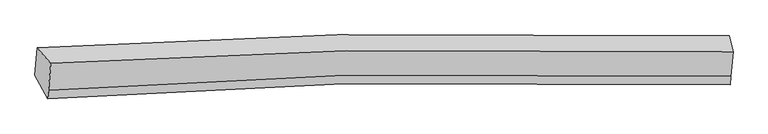
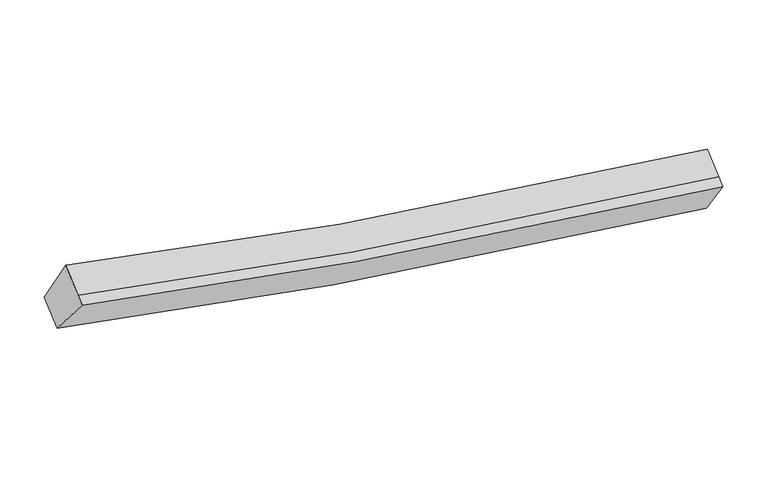
"""IFC4 building model written with IfcOpenShell, lengths in millimetres: proxy geometry."""

import ifcopenshell
import ifcopenshell.guid

model = None  # the IFC model being written
_history = None  # IfcOwnerHistory: only IFC2X3 demands one
_inside = {}  # id of a spatial element -> (the spatial element, [elements in it])
_under = {}  # id of a project, library or spatial element -> (it, [spatial elements below it])
_declared = {}  # id of a project -> (the project, [libraries it declares])
_typed = {}  # id of a type object -> (the type object, [elements of that type])
_made_of = {}  # id of a material, layer set ... -> (it, [elements and type objects made of it])


def new_model(schema):
    """Start an empty IFC model of exactly this schema.

    Asked for "IFC4X3", IfcOpenShell would pick the latest addendum, in which some entities
    have other attributes; the version numbers below select the first issue.
    IFC2X3 requires an IfcOwnerHistory on every rooted entity: one is made here for all.
    """
    global model, _history
    if schema == "IFC4X3":
        model = ifcopenshell.file(schema_version=(4, 3, 0, 0))
    else:
        model = ifcopenshell.file(schema=schema)
    _inside.clear()
    _under.clear()
    _declared.clear()
    _typed.clear()
    _made_of.clear()
    _history = None
    if model.schema == "IFC2X3":
        org = make("IfcOrganization", Name="unknown")
        user = make(
            "IfcPersonAndOrganization",
            ThePerson=make("IfcPerson", FamilyName="unknown"),
            TheOrganization=org,
        )
        app = make(
            "IfcApplication",
            ApplicationDeveloper=org,
            Version="unknown",
            ApplicationFullName="unknown",
            ApplicationIdentifier="unknown",
        )
        _history = make(
            "IfcOwnerHistory",
            OwningUser=user,
            OwningApplication=app,
            ChangeAction="ADDED",
            CreationDate=0,
        )
    return model


def make(cls, **values):
    """One entity of the class cls with the attributes given. An attribute that is None is left unset."""
    return model.create_entity(
        cls, **{name: value for name, value in values.items() if value is not None}
    )


def rooted(cls, **values):
    """An entity with a GlobalId (a new one), such as an element, a storey or a relation."""
    return make(cls, GlobalId=ifcopenshell.guid.new(), OwnerHistory=_history, **values)


def si_unit(unit_type, name, prefix=None):
    """IfcSIUnit, for example si_unit("LENGTHUNIT", "METRE", prefix="MILLI")."""
    return make("IfcSIUnit", UnitType=unit_type, Prefix=prefix, Name=name)


def assignment(units):
    """IfcUnitAssignment: the units of a project."""
    return None if units is None else make("IfcUnitAssignment", Units=units)


def point(xyz):
    """IfcCartesianPoint."""
    return None if xyz is None else make("IfcCartesianPoint", Coordinates=xyz)


def direction(xyz):
    """IfcDirection."""
    return None if xyz is None else make("IfcDirection", DirectionRatios=xyz)


def frame(location, z_axis=None, x_axis=None):
    """IfcAxis2Placement3D, a coordinate frame: its origin and axes. An axis left out is left unset."""
    return make(
        "IfcAxis2Placement3D",
        Location=point(location),
        Axis=direction(z_axis),
        RefDirection=direction(x_axis),
    )


def origin():
    """The frame at (0, 0, 0) with its axes left unset."""
    return frame((0.0, 0.0, 0.0))


def place(relative_to, where):
    """IfcLocalPlacement: puts the frame where relative to a parent placement (None: the world)."""
    return make(
        "IfcLocalPlacement", PlacementRelTo=relative_to, RelativePlacement=where
    )


def context(
    kind, dimensions, precision=None, world=None, true_north=None, identifier=None
):
    """IfcGeometricRepresentationContext, for example the 3D "Model" context."""
    return make(
        "IfcGeometricRepresentationContext",
        ContextIdentifier=identifier,
        ContextType=kind,
        CoordinateSpaceDimension=dimensions,
        Precision=precision,
        WorldCoordinateSystem=world,
        TrueNorth=true_north,
    )


def project(units=None, contexts=None):
    """IfcProject with its units and contexts."""
    return rooted(
        "IfcProject",
        Name="project",
        RepresentationContexts=contexts,
        UnitsInContext=assignment(units),
    )


def spatial(cls, under=None, at=None, **own):
    """A site, building, storey or space (cls), placed at a placement, below another one or the project."""
    s = rooted(cls, ObjectPlacement=at, **own)
    if under is not None:
        _under.setdefault(under.id(), (under, []))[1].append(s)
    return s


def shape(context_of_items, identifier, shape_type, items):
    """IfcShapeRepresentation: the items that make up one representation, for example the "Body"."""
    return make(
        "IfcShapeRepresentation",
        ContextOfItems=context_of_items,
        RepresentationIdentifier=identifier,
        RepresentationType=shape_type,
        Items=items,
    )


def source(mapping_origin, context_of_items, identifier, shape_type, items):
    """IfcRepresentationMap: a shape defined once, which mapped items show again and again."""
    return make(
        "IfcRepresentationMap",
        MappingOrigin=mapping_origin,
        MappedRepresentation=shape(context_of_items, identifier, shape_type, items),
    )


def transform(
    local_origin,
    x_axis=None,
    y_axis=None,
    z_axis=None,
    scale=None,
    scale2=None,
    scale3=None,
    uniform=True,
):
    """IfcCartesianTransformationOperator3D, or its non-uniform kind. x_axis, y_axis, z_axis: its Axis1, 2, 3."""
    if uniform:
        return make(
            "IfcCartesianTransformationOperator3D",
            Axis1=direction(x_axis),
            Axis2=direction(y_axis),
            LocalOrigin=point(local_origin),
            Scale=scale,
            Axis3=direction(z_axis),
        )
    return make(
        "IfcCartesianTransformationOperator3DnonUniform",
        Axis1=direction(x_axis),
        Axis2=direction(y_axis),
        LocalOrigin=point(local_origin),
        Scale=scale,
        Axis3=direction(z_axis),
        Scale2=scale2,
        Scale3=scale3,
    )


def mapped(mapping_source, mapping_target):
    """IfcMappedItem: shows the shape of a source again, moved by a transform."""
    return make(
        "IfcMappedItem", MappingSource=mapping_source, MappingTarget=mapping_target
    )


def made_of(thing, what):
    """Note that an element or type object is made of a material, layer set ...; save() writes the relation."""
    if what is not None:
        _made_of.setdefault(what.id(), (what, []))[1].append(thing)
    return thing


def element(
    cls,
    number,
    at=None,
    inside=None,
    cuts=None,
    type_object=None,
    material=None,
    context=None,
    identifier="Body",
    shape_type=None,
    held_by="IfcProductDefinitionShape",
    body=None,
    shapes=None,
    **own,
):
    """One element of the class cls, such as IfcWall. Its Tag is "e" and its number.

    at: its placement. inside: the storey or other place that contains it. cuts: it is an
    opening in that element (IfcRelVoidsElement). A single representation is given by context,
    identifier, shape_type and body (its items); several are given by shapes. held_by: the class
    of the entity that holds the representations. save() writes the other relations.
    """
    e = rooted(cls, Tag="e%d" % number, ObjectPlacement=at, **own)
    if body is not None:
        shapes = [shape(context, identifier, shape_type, body)]
    if shapes is not None:
        e.Representation = make(held_by, Representations=shapes)
    if inside is not None:
        _inside.setdefault(inside.id(), (inside, []))[1].append(e)
    if cuts is not None:
        rooted(
            "IfcRelVoidsElement", RelatingBuildingElement=cuts, RelatedOpeningElement=e
        )
    if type_object is not None:
        _typed.setdefault(type_object.id(), (type_object, []))[1].append(e)
    return made_of(e, material)


def aggregate(whole, parts):
    """IfcRelAggregates: a whole, such as a stair, and the parts it consists of."""
    return rooted("IfcRelAggregates", RelatingObject=whole, RelatedObjects=parts)


def save(model, path):
    """Write the relations noted so far, then the file.

    IfcRelAggregates (storeys below a building ...), IfcRelContainedInSpatialStructure (elements
    in a storey), IfcRelDefinesByType, IfcRelAssociatesMaterial and IfcRelDeclares: one each for
    every whole, place, type object, material and project.
    """
    for whole, parts in _under.values():
        aggregate(whole, parts)
    for where, things in _inside.values():
        rooted(
            "IfcRelContainedInSpatialStructure",
            RelatedElements=things,
            RelatingStructure=where,
        )
    for kind, things in _typed.values():
        rooted("IfcRelDefinesByType", RelatedObjects=things, RelatingType=kind)
    for what, things in _made_of.values():
        rooted("IfcRelAssociatesMaterial", RelatedObjects=things, RelatingMaterial=what)
    for by, libraries in _declared.values():
        rooted("IfcRelDeclares", RelatingContext=by, RelatedDefinitions=libraries)
    model.write(path)


def plane_surface(at):
    """IfcPlane: the flat surface through the origin of the frame at, square to its z axis."""
    return make("IfcPlane", Position=at)


def spline_curve(degree, points, multiplicities, knots, weights=None):
    """IfcBSplineCurveWithKnots; with weights, IfcRationalBSplineCurveWithKnots."""
    own = dict(
        Degree=degree,
        ControlPointsList=[point(p) for p in points],
        CurveForm="UNSPECIFIED",
        ClosedCurve=False,
        SelfIntersect=False,
        KnotMultiplicities=multiplicities,
        Knots=knots,
        KnotSpec="UNSPECIFIED",
    )
    if weights is None:
        return make("IfcBSplineCurveWithKnots", **own)
    return make("IfcRationalBSplineCurveWithKnots", WeightsData=weights, **own)


def spline_surface(u_degree, v_degree, points, u_multiplicities, v_multiplicities, u_knots, v_knots, weights=None):
    """IfcBSplineSurfaceWithKnots; with weights, IfcRationalBSplineSurfaceWithKnots. points: one row for each step in u."""
    own = dict(
        UDegree=u_degree,
        VDegree=v_degree,
        ControlPointsList=[[point(p) for p in row] for row in points],
        SurfaceForm="UNSPECIFIED",
        UClosed=False,
        VClosed=False,
        SelfIntersect=False,
        UMultiplicities=u_multiplicities,
        VMultiplicities=v_multiplicities,
        UKnots=u_knots,
        VKnots=v_knots,
        KnotSpec="UNSPECIFIED",
    )
    if weights is None:
        return make("IfcBSplineSurfaceWithKnots", **own)
    return make("IfcRationalBSplineSurfaceWithKnots", WeightsData=weights, **own)


def advanced_brep(points, edges, surfaces, faces):
    """IfcAdvancedBrep: a solid bounded by faces that lie on surfaces and meet in shared edges.

    An edge is (start, end): straight between two places in points (the first is 0);
    or (start, end, curve); or (start, end, curve, False) where it runs against its curve.
    A face is (place in surfaces, loops), or (place, loops, False) where it looks against
    its surface's normal. A loop lists edges by number (the first is 1), with a minus sign
    where the edge is run from its end to its start. The first loop is the outer one.
    """
    corners = [point(p) for p in points]
    vertices = [make("IfcVertexPoint", VertexGeometry=c) for c in corners]
    made = []
    for start, end, *more in edges:
        made.append(
            make(
                "IfcEdgeCurve",
                EdgeStart=vertices[start],
                EdgeEnd=vertices[end],
                EdgeGeometry=more[0] if more else make("IfcPolyline", Points=[corners[start], corners[end]]),
                SameSense=more[1] if len(more) > 1 else True,
            )
        )
    hull = []
    for where, loops, *sense in faces:
        bounds = []
        for j, loop in enumerate(loops):
            ring = [make("IfcOrientedEdge", EdgeElement=made[abs(k) - 1], Orientation=k > 0) for k in loop]
            bounds.append(
                make(
                    "IfcFaceOuterBound" if j == 0 else "IfcFaceBound",
                    Bound=make("IfcEdgeLoop", EdgeList=ring),
                    Orientation=True,
                )
            )
        hull.append(make("IfcAdvancedFace", Bounds=bounds, FaceSurface=surfaces[where], SameSense=sense[0] if sense else True))
    return make("IfcAdvancedBrep", Outer=make("IfcClosedShell", CfsFaces=hull))


def generic_models_34d3ffb1(model_context):
    return source(origin(), model_context, "Body", "AdvancedBrep", [
        advanced_brep(
        [(-4804.6089649, -1824.8345766, 3900.2267455), (-4592.3291703, -2068.9029794, 4538.23679), (6110.3663443, -1883.6975372, 2703.898976), (6046.6598878, -1634.053641, 2036.5847128), (-4628.2969202, -2486.3870429, 4276.4475792), (6077.3104604, -2267.3830542, 2463.3036156), (-4639.9443844, -2621.5812286, 4191.6721774), (6065.6629962, -2402.5772399, 2378.5282139), (-4841.5033024, -2253.0737065, 3631.6934201), (6012.6774163, -2028.4942245, 1789.2452378)],
        [
            (0, 1),
            (1, 2, spline_curve(3, [(-4592.3291703, -2068.9029794, 4538.23679), (-3056.244253064, -1971.90648463, 4133.51556443), (-1508.953940914, -1905.539978585, 3788.793374921), (2051.330227254, -1823.902180836, 3138.361466434), (4071.60508577, -1828.533539831, 2871.637718502), (6110.3663443, -1883.6975372, 2703.898976)], [4, 2, 4], [0.0, 15.728529877319298, 35.93082458428461])),
            (2, 3),
            (3, 0, spline_curve(3, [(6046.6598878, -1634.053641, 2036.5847128), (3979.36356208, -1578.295102219, 2207.295810841), (1930.941415965, -1573.991014897, 2478.408681923), (-1678.714467065, -1657.850372413, 3139.166667447), (-3247.381939205, -1725.748105189, 3489.267806753), (-4804.6089649, -1824.8345766, 3900.2267455)], [4, 2, 4], [0.0, 20.20229470696531, 35.93082458428461])),
            (1, 4),
            (4, 5, spline_curve(3, [(-4628.2969202, -2486.3870429, 4276.4475792), (-3090.816496381, -2373.192653731, 3881.883469152), (-1542.555562108, -2295.559965391, 3544.22589637), (2018.975308145, -2199.451475109, 2902.868038771), (4039.250166565, -2204.082833306, 2636.144290233), (6077.3104604, -2267.3830542, 2463.3036156)], [4, 2, 4], [0.0, 15.62018753320898, 35.68332340066213])),
            (5, 2),
            (4, 6),
            (6, 7, spline_curve(3, [(-4639.9443844, -2621.5812286, 4191.6721774), (-3102.463960846, -2508.386839788, 3797.108067663), (-1554.203025974, -2430.754151436, 3459.450494941), (2007.327843516, -2334.645660367, 2818.092636724), (4027.602702716, -2339.277019209, 2551.368888638), (6065.6629962, -2402.5772399, 2378.5282139)], [4, 2, 4], [0.0, 15.620102988924694, 35.68313026463022])),
            (7, 5),
            (6, 8),
            (8, 9, spline_curve(3, [(-4841.5033024, -2253.0737065, 3631.6934201), (-3282.880769689, -2137.789340923, 3230.8915969), (-1713.2426761, -2058.625426181, 2887.855074466), (1897.659909794, -1960.295374621, 2236.171139442), (3946.082055534, -1964.599461955, 1965.058268098), (6012.6774163, -2028.4942245, 1789.2452378)], [4, 2, 4], [0.0, 15.728233508028278, 35.930147547518246])),
            (9, 7),
            (8, 0),
            (3, 9),
        ],
        [
            spline_surface(3, 3, [[(-4804.6089649, -1824.8345766, 3900.2267455), (-3247.38193899, -1725.748105195, 3489.267806736), (-1678.714467265, -1657.850372647, 3139.166667331), (1930.941416223, -1573.991014597, 2478.408682072), (3979.363562085, -1578.295101949, 2207.295810579), (6046.6598878, -1634.053641, 2036.5847128)], [(-4733.849033368, -1906.190710867, 4112.896760352), (-3183.669377089, -1807.800898328, 3704.017059313), (-1622.127625094, -1740.413574623, 3355.70890313), (1971.071019779, -1657.29473674, 2698.392943648), (4010.110736694, -1661.707914509, 2428.743113231), (6067.895373303, -1717.268273043, 2259.022800545)], [(-4663.089101832, -1987.546845133, 4325.566775148), (-3119.956815185, -1889.853691462, 3918.766311834), (-1565.540782855, -1822.976776521, 3572.251138877), (2011.200623402, -1740.598458807, 2918.377205173), (4040.857911295, -1745.12072714, 2650.190415847), (6089.130858797, -1800.482905157, 2481.460888255)], [(-4592.3291703, -2068.9029794, 4538.23679), (-3056.244253284, -1971.906484595, 4133.515564411), (-1508.953940683, -1905.539978497, 3788.793374676), (2051.330226958, -1823.90218095, 3138.361466749), (4071.605085904, -1828.5335397, 2871.637718499), (6110.3663443, -1883.6975372, 2703.898976)]], [4, 4], [4, 2, 4], [0.0, 2.3468578165019203], [0.0, 15.728529877319298, 35.93082458428461]),
            spline_surface(3, 3, [[(-4592.3291703, -2068.9029794, 4538.23679), (-3056.244253284, -1971.906484595, 4133.515564411), (-1508.953940683, -1905.539978497, 3788.793374676), (2051.330226958, -1823.90218095, 3138.361466749), (4071.605085904, -1828.5335397, 2871.637718499), (6110.3663443, -1883.6975372, 2703.898976)], [(-4604.318420281, -2208.064333896, 4450.973719706), (-3067.768334363, -2105.66854101, 4049.638199362), (-1520.154481092, -2035.546640865, 3707.270881897), (2040.545253932, -1949.085278887, 3059.863657393), (4060.820112877, -1953.716637637, 2793.139909143), (6099.347716332, -2011.592709555, 2623.700522515)], [(-4616.307670219, -2347.225688404, 4363.710649494), (-3079.2924154, -2239.430597438, 3965.760834397), (-1531.355021496, -2165.553303268, 3625.748389175), (2029.76028091, -2074.268376858, 2981.365848094), (4050.035139855, -2078.899735508, 2714.642099844), (6088.329088368, -2139.487881845, 2543.502069085)], [(-4628.2969202, -2486.3870429, 4276.4475792), (-3090.816496479, -2373.192653853, 3881.883469349), (-1542.555561904, -2295.559965636, 3544.225896396), (2018.975307883, -2199.451474795, 2902.868038738), (4039.250166829, -2204.082833445, 2636.144290488), (6077.3104604, -2267.3830542, 2463.3036156)]], [4, 4], [4, 2, 4], [0.0, 1.480449034533745], [0.0, 15.62018753320898, 35.68332340066213]),
            spline_surface(3, 3, [[(-4628.2969202, -2486.3870429, 4276.4475792), (-3090.816496479, -2373.192653853, 3881.883469349), (-1542.555561904, -2295.559965636, 3544.225896396), (2018.975307883, -2199.451474795, 2902.868038738), (4039.250166829, -2204.082833445, 2636.144290488), (6077.3104604, -2267.3830542, 2463.3036156)], [(-4632.179408252, -2531.451771463, 4248.189111965), (-3094.698984531, -2418.257382417, 3853.625002114), (-1546.438049956, -2340.6246942, 3515.967429161), (2015.092819832, -2244.516203358, 2874.609571503), (4035.367678777, -2249.147562008, 2607.885823253), (6073.427972348, -2312.447782763, 2435.045148365)], [(-4636.061896348, -2576.516500037, 4219.930644635), (-3098.581472627, -2463.32211099, 3825.366534784), (-1550.320538053, -2385.689422773, 3487.708961931), (2011.210331735, -2289.580931932, 2846.351104273), (4031.48519068, -2294.212290581, 2579.627356023), (6069.545484252, -2357.512511337, 2406.786681135)], [(-4639.9443844, -2621.5812286, 4191.6721774), (-3102.463960679, -2508.386839553, 3797.108067549), (-1554.203026104, -2430.754151336, 3459.450494696), (2007.327843683, -2334.645660495, 2818.092637038), (4027.602702629, -2339.277019145, 2551.368888788), (6065.6629962, -2402.5772399, 2378.5282139)]], [4, 4], [4, 2, 4], [0.0, 0.5249343832020965], [0.0, 15.620102988924694, 35.68313026463022]),
            spline_surface(3, 3, [[(-4639.9443844, -2621.5812286, 4191.6721774), (-3102.463960679, -2508.386839553, 3797.108067549), (-1554.203026104, -2430.754151336, 3459.450494696), (2007.327843683, -2334.645660495, 2818.092637038), (4027.602702629, -2339.277019145, 2551.368888788), (6065.6629962, -2402.5772399, 2378.5282139)], [(-4707.130690399, -2498.74538789, 4005.012591609), (-3162.602897047, -2384.854339976, 3608.369244033), (-1607.216242743, -2306.711242917, 3268.918687958), (1970.771865661, -2209.862231908, 2624.118804523), (4000.429153553, -2214.384500141, 2355.932015197), (6048.001136231, -2277.882901413, 2182.100555216)], [(-4774.316996401, -2375.90954721, 3818.353005891), (-3222.741833418, -2261.32184043, 3419.63042059), (-1660.229459348, -2182.668334506, 3078.386881189), (1934.215887671, -2085.078803328, 2430.144971976), (3973.255604486, -2089.491981197, 2160.495141559), (6030.339276269, -2153.188562987, 1985.672896484)], [(-4841.5033024, -2253.0737065, 3631.6934201), (-3282.880769786, -2137.789340853, 3230.891597074), (-1713.242675987, -2058.625426087, 2887.855074451), (1897.659909648, -1960.295374742, 2236.171139461), (3946.08205541, -1964.599462194, 1965.058267968), (6012.6774163, -2028.4942245, 1789.2452378)]], [4, 4], [4, 2, 4], [0.0, 2.29658095656649], [0.0, 15.728233508028278, 35.930147547518246]),
            spline_surface(3, 3, [[(-4841.5033024, -2253.0737065, 3631.6934201), (-3282.880769786, -2137.789340853, 3230.891597074), (-1713.242675987, -2058.625426087, 2887.855074451), (1897.659909648, -1960.295374742, 2236.171139461), (3946.08205541, -1964.599462194, 1965.058267968), (6012.6774163, -2028.4942245, 1789.2452378)], [(-4829.205189901, -2110.327329884, 3721.204528568), (-3271.047826188, -2000.442262318, 3317.017000297), (-1701.73327306, -1925.033741599, 2971.625605404), (1908.753745192, -1831.527254685, 2316.916986991), (3957.175890954, -1835.831342137, 2045.804115498), (6024.004906786, -1897.014030025, 1871.691729459)], [(-4816.907077399, -1967.580953216, 3810.715637032), (-3259.214882588, -1863.09518373, 3403.142403514), (-1690.223870192, -1791.442057136, 3055.396136378), (1919.847580678, -1702.759134653, 2397.662834542), (3968.26972654, -1707.063222005, 2126.549963049), (6035.332397314, -1765.533835475, 1954.138221141)], [(-4804.6089649, -1824.8345766, 3900.2267455), (-3247.38193899, -1725.748105195, 3489.267806736), (-1678.714467265, -1657.850372647, 3139.166667331), (1930.941416223, -1573.991014597, 2478.408682072), (3979.363562085, -1578.295101949, 2207.295810579), (6046.6598878, -1634.053641, 2036.5847128)]], [4, 4], [4, 2, 4], [0.0, 1.5222089970423902], [0.0, 15.837265118808777, 36.179223316941886]),
            plane_surface(frame((6058.8416612, -1987.2056606, 2227.0642851), z_axis=(0.9944702678164288, -0.021176593921289497, -0.10286125752202999), x_axis=(-0.07569368558336736, 0.5344043078006094, -0.8418328229327708))),
            plane_surface(frame((-4719.5964555, -2192.0981228, 4065.4572833), z_axis=(-0.9548771904197847, -0.09432951550514032, 0.281622963766423), x_axis=(-0.0727966509664311, -0.844963660564194, -0.529846260658721))),
        ],
        [
            (0, [[1, 2, 3, 4]]),
            (1, [[5, 6, 7, -2]]),
            (2, [[8, 9, 10, -6]]),
            (3, [[11, 12, 13, -9]]),
            (4, [[14, -4, 15, -12]]),
            (5, [[-13, -15, -3, -7, -10]]),
            (6, [[-14, -11, -8, -5, -1]]),
        ],
    ),
    ])


if __name__ == "__main__":
    model = new_model("IFC4")
    model_context = context("Model", 3, world=origin())
    ifc_project = project(units=[si_unit("LENGTHUNIT", "METRE", prefix="MILLI")], contexts=[model_context])
    site = spatial("IfcSite", under=ifc_project)
    building = spatial("IfcBuilding", under=site)
    placement = place(None, origin())
    generic_models_shape = generic_models_34d3ffb1(model_context)
    element("IfcBuildingElementProxy", 1, Name="Generic Models", at=placement, inside=building, context=model_context, shape_type="MappedRepresentation", body=[
        mapped(generic_models_shape, transform((0.0, 0.0, 0.0), x_axis=(1.0, 0.0, 0.0), y_axis=(0.0, 1.0, 0.0), z_axis=(0.0, 0.0, 1.0))),
    ])
    save(model, "model.ifc")
